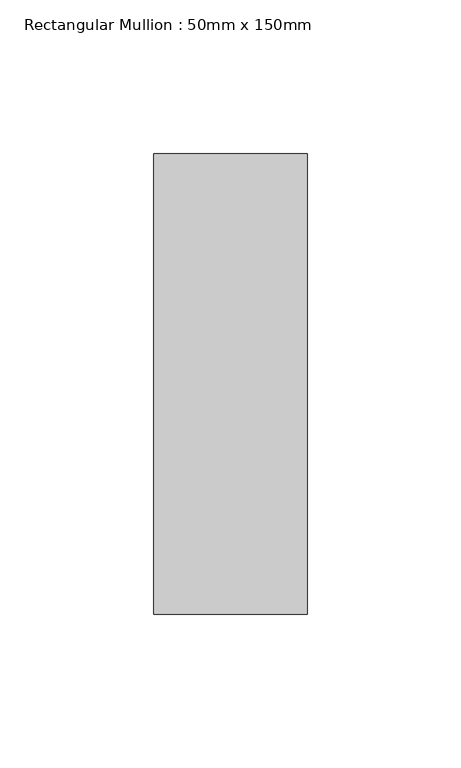
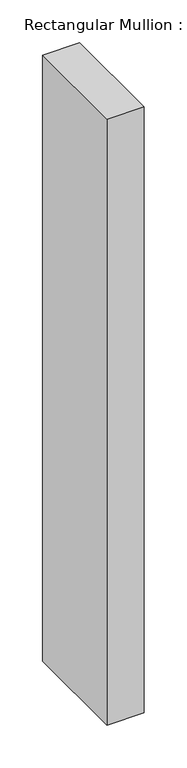
"""IFC4 building model written with IfcOpenShell, lengths in millimetres: member geometry, Rectangular Mullion : 50mm x 150mm."""

from ifc_helpers import new_model, si_unit, frame, origin, place, context, project, spatial, polyline, outline, extrude, source, transform, mapped, element, save


def rectangular_mullion_50mm_x_150mm_1898d780(model_context):
    return source(origin(), model_context, "Body", "SweptSolid", [
        extrude(outline(polyline([(0.0, 75.0), (0.0, -75.0), (-50.0, -75.0), (-50.0, 75.0), (0.0, 75.0)])), frame((0.0, 0.0, -863.3442596), z_axis=(0.0, 0.0, 1.0), x_axis=(1.0, 0.0, 0.0)), (0.0, 0.0, 1.0), 863.3442596),
    ])


if __name__ == "__main__":
    model = new_model("IFC4")
    model_context = context("Model", 3, world=origin())
    ifc_project = project(units=[si_unit("LENGTHUNIT", "METRE", prefix="MILLI")], contexts=[model_context])
    site = spatial("IfcSite", under=ifc_project)
    building = spatial("IfcBuilding", under=site)
    placement = place(None, origin())
    rectangular_mullion_50mm_x_150mm_shape = rectangular_mullion_50mm_x_150mm_1898d780(model_context)
    element("IfcMember", 1, ObjectType="Rectangular Mullion : 50mm x 150mm", at=placement, inside=building, context=model_context, shape_type="MappedRepresentation", body=[
        mapped(rectangular_mullion_50mm_x_150mm_shape, transform((0.0, 0.0, 0.0), x_axis=(1.0, 0.0, 0.0), y_axis=(0.0, 1.0, 0.0), z_axis=(0.0, 0.0, 1.0))),
    ])
    save(model, "model.ifc")
